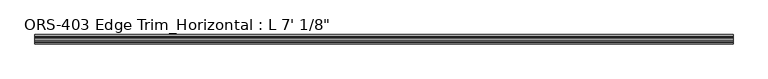
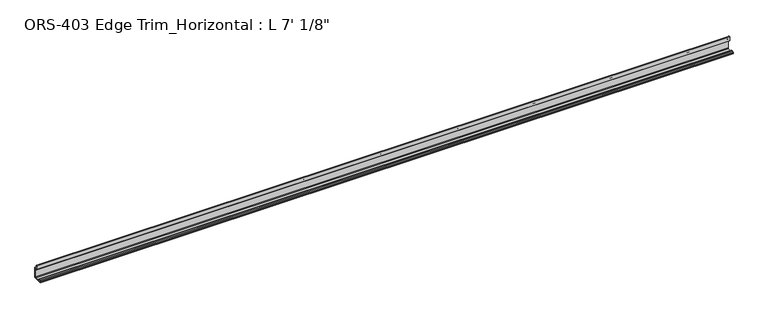
"""IFC4 building model written with IfcOpenShell, lengths in millimetres: proxy geometry."""

from ifc_helpers import new_model, si_unit, point, frame, frame_2d, origin, place, context, project, spatial, polyline, circle_curve, trimmed, segment, composite_curve, outline, extrude, source, transform, mapped, element, save


def proxy_230c8224(model_context):
    return source(origin(), model_context, "Body", "SweptSolid", [
        extrude(outline(composite_curve([segment(polyline([(19.6849659, 33.4151698), (19.6849659, 0.0), (-8.8900341, 0.0), (-8.8900341, 1.6395301), (-7.4768015, 1.6395301), (-6.695594, 1.3857004), (-5.9143865, 1.6395301), (-5.133179, 1.3857004), (-4.3519716, 1.6395301), (-3.5707641, 1.3857004), (-2.7895566, 1.6395301), (-2.0083491, 1.3857004), (-1.2271416, 1.6395301), (-0.4459342, 1.3857004), (-0.4459342, 4.3039002), (-1.2271416, 4.0500705), (-2.0083491, 4.3039002), (-2.7895566, 4.0500705), (-3.5707641, 4.3039002), (-4.3519716, 4.0500705), (-5.133179, 4.3039002), (-5.9143865, 4.0500705), (-6.695594, 4.3039002), (-7.4768015, 4.0500705), (-8.8900341, 4.0500705), (-8.8900341, 5.6896), (-5.0673341, 5.6896)]), True, "CONTINUOUS"), segment(trimmed(circle_curve(frame_2d((-3.4925341, 5.6896)), 1.5748), [point((-5.0673341, 5.6896))], [point((-1.9177341, 5.6896))], False, "CARTESIAN"), True, "CONTINUOUS"), segment(polyline([(-1.9177341, 5.6896), (1.2699659, 5.6896), (1.2699659, 3.1623)]), True, "CONTINUOUS"), segment(trimmed(circle_curve(frame_2d((2.8574659, 3.1623)), 1.5875), [point((1.2699659, 3.1623))], [point((2.8574659, 1.5748))], True, "CARTESIAN"), True, "CONTINUOUS"), segment(polyline([(2.8574659, 1.5748), (16.5226659, 1.5748)]), True, "CONTINUOUS"), segment(trimmed(circle_curve(frame_2d((16.5226659, 3.1623)), 1.5875), [point((16.5226659, 1.5748))], [point((18.1101659, 3.1623))], True, "CARTESIAN"), True, "CONTINUOUS"), segment(polyline([(18.1101659, 3.1623), (18.1101659, 24.5876618), (18.5286393, 25.3762055), (18.5286393, 26.1600648), (18.1101659, 26.9486086), (18.1101659, 30.5703698)]), True, "CONTINUOUS"), segment(trimmed(circle_curve(frame_2d((16.8401659, 30.5703698)), 1.27), [point((18.1101659, 30.5703698))], [point((16.8401659, 31.8403698))], True, "CARTESIAN"), True, "CONTINUOUS"), segment(polyline([(16.8401659, 31.8403698), (10.1599659, 31.8403698), (10.1599659, 43.9251729)]), True, "CONTINUOUS"), segment(trimmed(circle_curve(frame_2d((11.3526424, 42.8344152)), 1.6162393), [point((10.1599659, 43.9251729))], [point((12.4813352, 43.9912567))], False, "CARTESIAN"), True, "CONTINUOUS"), segment(polyline([(12.4813352, 43.9912567), (14.292309, 33.4151698), (19.6849659, 33.4151698)]), True, "CONTINUOUS")], self_intersect=False)), frame((0.0, 0.0, 0.0), z_axis=(1.0, 0.0, 0.0), x_axis=(0.0, 1.0, 0.0)), (0.0, 0.0, 1.0), 2136.775),
    ])


if __name__ == "__main__":
    model = new_model("IFC4")
    model_context = context("Model", 3, world=origin())
    ifc_project = project(units=[si_unit("LENGTHUNIT", "METRE", prefix="MILLI")], contexts=[model_context])
    site = spatial("IfcSite", under=ifc_project)
    building = spatial("IfcBuilding", under=site)
    placement = place(None, origin())
    proxy_shape = proxy_230c8224(model_context)
    element("IfcBuildingElementProxy", 1, Name="ORS-403 Edge Trim_Horizontal : L 7' 1/8\"", ObjectType="ORS-403 Edge Trim_Horizontal : L 7' 1/8\"", at=placement, inside=building, context=model_context, shape_type="MappedRepresentation", body=[
        mapped(proxy_shape, transform((0.0, 0.0, 0.0), x_axis=(1.0, 0.0, 0.0), y_axis=(0.0, 1.0, 0.0), z_axis=(0.0, 0.0, 1.0))),
    ])
    save(model, "model.ifc")
